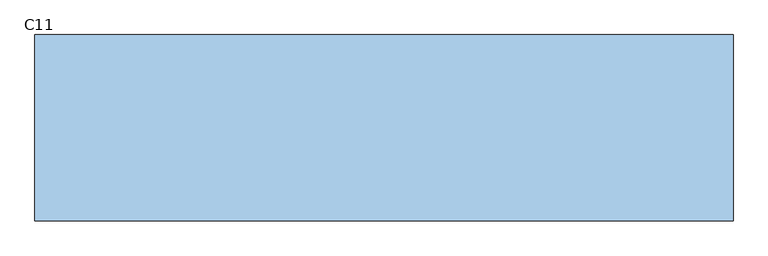
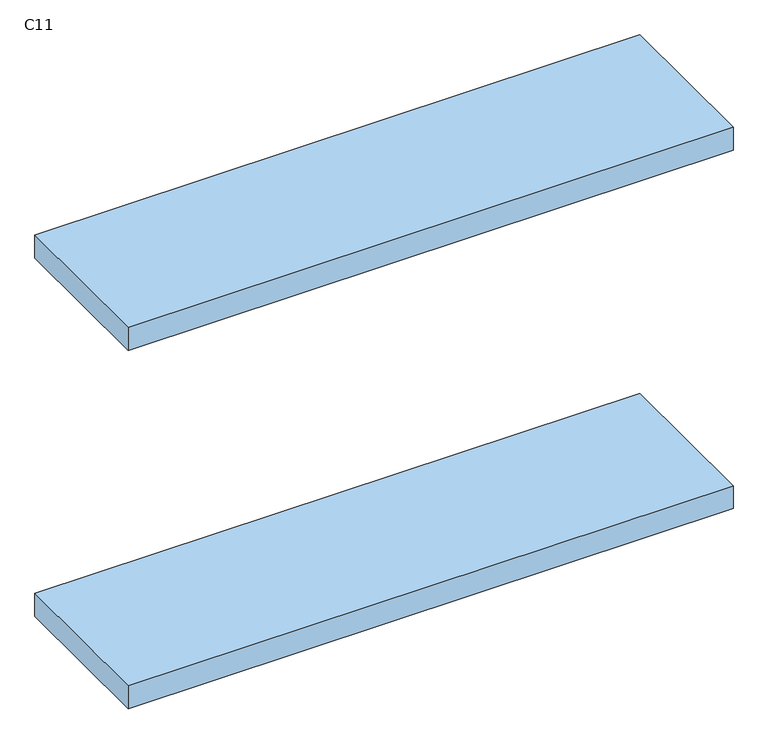
"""IFC4 building model written with IfcOpenShell, lengths in millimetres: window geometry, C11."""

from ifc_helpers import new_model, si_unit, frame, origin, place, context, project, spatial, polyline, outline, extrude, source, transform, mapped, element, save


def c11_3f4980ef(model_context):
    return source(origin(), model_context, "Body", "SweptSolid", [
        extrude(outline(polyline([(750.0, -200.0), (-750.0, -200.0), (-750.0, 200.0), (750.0, 200.0), (750.0, -200.0)])), frame((0.0, 0.0, 1940.0), z_axis=(0.0, 0.0, 1.0), x_axis=(1.0, 0.0, 0.0)), (0.0, 0.0, 1.0), 60.0),
        extrude(outline(polyline([(750.0, -200.0), (-750.0, -200.0), (-750.0, 200.0), (750.0, 200.0), (750.0, -200.0)])), frame((0.0, 0.0, 1000.0), z_axis=(0.0, 0.0, 1.0), x_axis=(1.0, 0.0, 0.0)), (0.0, 0.0, 1.0), 60.0),
    ])


if __name__ == "__main__":
    model = new_model("IFC4")
    model_context = context("Model", 3, world=origin())
    ifc_project = project(units=[si_unit("LENGTHUNIT", "METRE", prefix="MILLI")], contexts=[model_context])
    site = spatial("IfcSite", under=ifc_project)
    building = spatial("IfcBuilding", under=site)
    placement = place(None, origin())
    c11_shape = c11_3f4980ef(model_context)
    element("IfcWindow", 1, ObjectType="C11", at=placement, inside=building, context=model_context, shape_type="MappedRepresentation", body=[
        mapped(c11_shape, transform((0.0, 0.0, 0.0), x_axis=(1.0, 0.0, 0.0), y_axis=(0.0, 1.0, 0.0), z_axis=(0.0, 0.0, 1.0))),
    ])
    save(model, "model.ifc")
